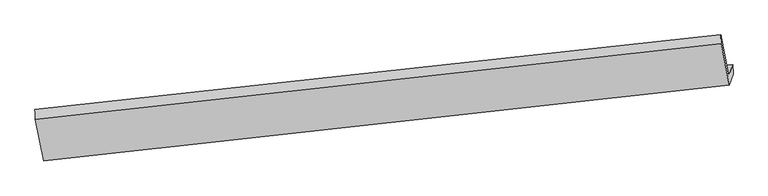
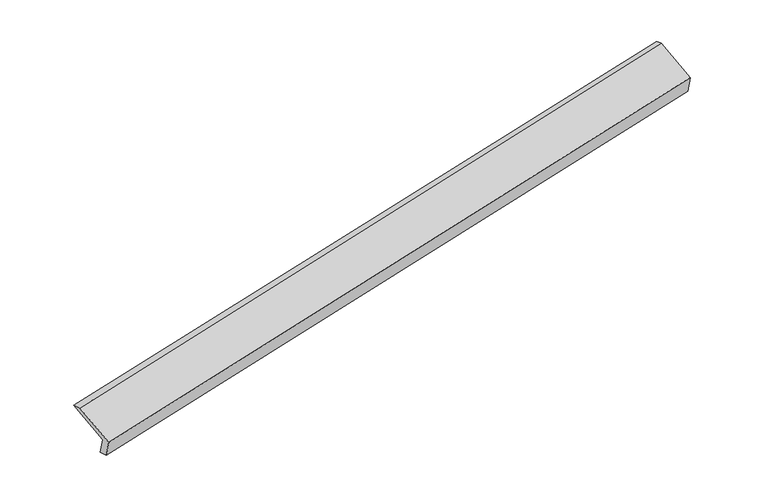
"""IFC4 building model written with IfcOpenShell, lengths in millimetres: proxy geometry."""

from ifc_helpers import new_model, si_unit, frame, origin, place, context, project, spatial, source, transform, mapped, element, save
from ifc_brep_helpers import plane_surface, spline_surface, advanced_brep


def generic_models_01964af9(model_context):
    return source(origin(), model_context, "Body", "AdvancedBrep", [
        advanced_brep(
        [(-8461.9054348, -2157.6225668, 404.3148007), (-8518.7733869, -2331.0594601, 777.3917598), (2839.0034392, -1087.1640767, 3086.9175498), (2898.6098241, -905.3754619, 2695.8753539), (-8451.8346547, -2326.2381252, 445.1374454), (2906.8008344, -1064.4575667, 2740.8434003), (-8509.6923191, -2502.693461, 824.7073215), (2846.204737, -1249.264624, 3138.3785133), (-8644.2195833, -1820.4241093, 1121.3763708), (2710.6585849, -561.8278734, 3437.2944865), (-8653.319694, -1648.6935297, 1074.1028041), (2706.2364911, -413.8223554, 3379.7046254)],
        [
            (0, 1),
            (1, 2),
            (2, 3),
            (3, 0),
            (4, 0),
            (3, 5),
            (5, 4),
            (6, 4),
            (5, 7),
            (7, 6),
            (8, 6),
            (7, 9),
            (9, 8),
            (10, 8),
            (9, 11),
            (11, 10),
            (1, 10),
            (11, 2),
        ],
        [
            plane_surface(frame((-8490.3394108, -2244.3410135, 590.8532803), z_axis=(-0.17858889047860158, 0.9023496100964746, 0.3922641831168917), x_axis=(-0.13692164574692137, -0.41758607469012365, 0.8982618399725378))),
            spline_surface(1, 1, [[(-8451.8346547, -2326.2381252, 445.1374454), (2906.8008344, -1064.4575667, 2740.8434003)], [(-8461.9054348, -2157.6225668, 404.3148007), (2898.6098241, -905.3754619, 2695.8753539)]], [2, 2], [2, 2], [0.0, 1.0], [0.0, 1.0]),
            plane_surface(frame((-8480.7634869, -2414.4657931, 634.9223835), z_axis=(0.17947185120689368, -0.9022525302836453, -0.3920844631213157), x_axis=(0.13692164574706667, 0.41758607469024367, -0.8982618399724598))),
            plane_surface(frame((-8576.9559512, -2161.5587852, 973.0418462), z_axis=(-0.1369216457468346, -0.41758607469021314, 0.8982618399725096), x_axis=(0.17793590875424753, -0.9024209171728433, -0.3923968662269418))),
            spline_surface(1, 1, [[(-8653.319694, -1648.6935297, 1074.1028041), (2706.2364911, -413.8223554, 3379.7046254)], [(-8644.2195833, -1820.4241093, 1121.3763708), (2710.6585849, -561.8278734, 3437.2944865)]], [2, 2], [2, 2], [0.0, 1.0], [0.0, 1.0]),
            plane_surface(frame((-8586.0465405, -1989.8764949, 925.747282), z_axis=(0.1369216457468512, 0.41758607469012526, -0.8982618399725478), x_axis=(-0.17793590875423027, 0.9024209171728844, 0.39239686622685527))),
            plane_surface(frame((2817.9189851, -880.3186597, 3079.8356549), z_axis=(0.9744697405777744, 0.10610541208497769, 0.1978645148190106), x_axis=(0.17793590875424753, -0.9024209171728433, -0.3923968662269418))),
            plane_surface(frame((-8539.9575121, -2131.1218754, 774.5050837), z_axis=(-0.9744697405777056, -0.1061054120854941, -0.19786451481907222), x_axis=(0.13692164574693202, 0.4175860746901647, -0.8982618399725171))),
        ],
        [
            (0, [[1, 2, 3, 4]]),
            (1, [[5, -4, 6, 7]]),
            (2, [[8, -7, 9, 10]]),
            (3, [[11, -10, 12, 13]]),
            (4, [[14, -13, 15, 16]]),
            (5, [[17, -16, 18, -2]]),
            (6, [[-12, -9, -6, -3, -18, -15]]),
            (7, [[-1, -5, -8, -11, -14, -17]]),
        ],
    ),
    ])


if __name__ == "__main__":
    model = new_model("IFC4")
    model_context = context("Model", 3, world=origin())
    ifc_project = project(units=[si_unit("LENGTHUNIT", "METRE", prefix="MILLI")], contexts=[model_context])
    site = spatial("IfcSite", under=ifc_project)
    building = spatial("IfcBuilding", under=site)
    placement = place(None, origin())
    generic_models_shape = generic_models_01964af9(model_context)
    element("IfcBuildingElementProxy", 1, Name="Generic Models", at=placement, inside=building, context=model_context, shape_type="MappedRepresentation", body=[
        mapped(generic_models_shape, transform((0.0, 0.0, 0.0), x_axis=(1.0, 0.0, 0.0), y_axis=(0.0, 1.0, 0.0), z_axis=(0.0, 0.0, 1.0))),
    ])
    save(model, "model.ifc")
